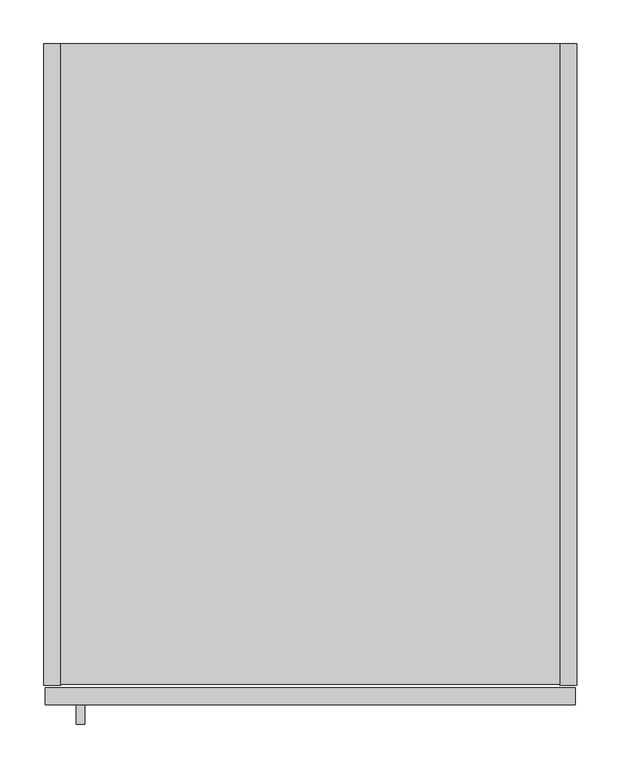
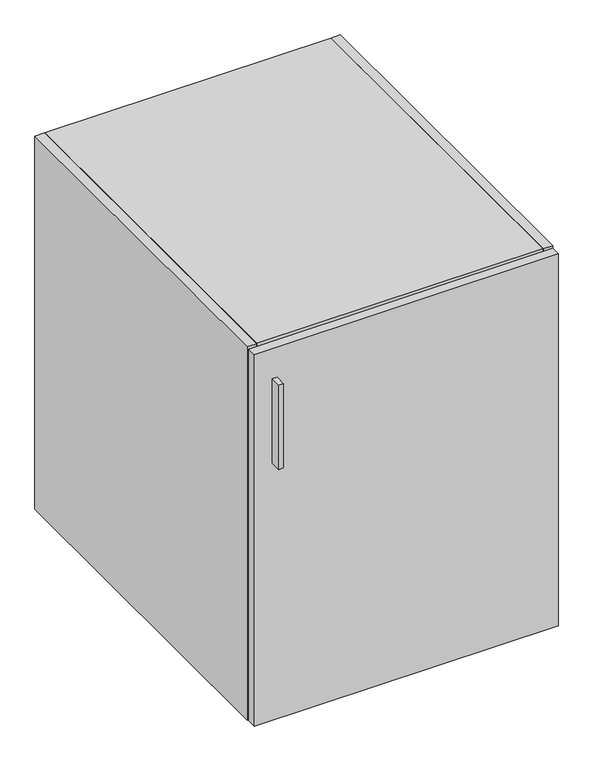
"""IFC4 building model written with IfcOpenShell, lengths in millimetres: furniture geometry."""

from ifc_helpers import new_model, si_unit, frame, origin, place, context, project, spatial, polyline, outline, extrude, source, transform, mapped, element, save


def furniture_f4ea50e8(model_context):
    return source(origin(), model_context, "Body", "SweptSolid", [
        extrude(outline(polyline([(46.6713631, -778.129), (37.1463631, -778.129), (37.1463631, -755.904), (46.6713631, -755.904), (46.6713631, -778.129)])), frame((0.0, 0.0, 644.525), z_axis=(0.0, 0.0, 1.0), x_axis=(1.0, 0.0, 0.0)), (0.0, 0.0, 1.0), 177.8),
        extrude(outline(polyline([(590.296, 0.0), (590.296, -19.304), (19.304, -19.304), (19.304, 0.0), (590.296, 0.0)])), frame((0.0, 0.0, 120.904), z_axis=(0.0, 0.0, 1.0), x_axis=(1.0, 0.0, 0.0)), (0.0, 0.0, 1.0), 748.792),
        extrude(outline(polyline([(590.296, -732.4344), (19.304, -732.4344), (19.304, 0.0), (590.296, 0.0), (590.296, -732.4344)])), frame((0.0, 0.0, 869.696), z_axis=(0.0, 0.0, 1.0), x_axis=(1.0, 0.0, 0.0)), (0.0, 0.0, 1.0), 19.304),
        extrude(outline(polyline([(19.304, 0.0), (19.304, -733.425), (0.0, -733.425), (0.0, 0.0), (19.304, 0.0)])), frame((0.0, 0.0, 101.6), z_axis=(0.0, 0.0, 1.0), x_axis=(1.0, 0.0, 0.0)), (0.0, 0.0, 1.0), 787.4),
        extrude(outline(polyline([(590.296, 0.0), (609.6, 0.0), (609.6, -733.425), (590.296, -733.425), (590.296, 0.0)])), frame((0.0, 0.0, 101.6), z_axis=(0.0, 0.0, 1.0), x_axis=(1.0, 0.0, 0.0)), (0.0, 0.0, 1.0), 787.4),
        extrude(outline(polyline([(590.296, 0.0), (590.296, -732.4344), (19.304, -732.4344), (19.304, 0.0), (590.296, 0.0)])), frame((0.0, 0.0, 101.6), z_axis=(0.0, 0.0, 1.0), x_axis=(1.0, 0.0, 0.0)), (0.0, 0.0, 1.0), 19.304),
        extrude(outline(polyline([(608.0125, -755.904), (1.5875, -755.904), (1.5875, -736.6), (608.0125, -736.6), (608.0125, -755.904)])), frame((0.0, 0.0, 101.6), z_axis=(0.0, 0.0, 1.0), x_axis=(1.0, 0.0, 0.0)), (0.0, 0.0, 1.0), 784.225),
    ])


if __name__ == "__main__":
    model = new_model("IFC4")
    model_context = context("Model", 3, world=origin())
    ifc_project = project(units=[si_unit("LENGTHUNIT", "METRE", prefix="MILLI")], contexts=[model_context])
    site = spatial("IfcSite", under=ifc_project)
    building = spatial("IfcBuilding", under=site)
    placement = place(None, origin())
    furniture_shape = furniture_f4ea50e8(model_context)
    element("IfcFurniture", 1, at=placement, inside=building, context=model_context, shape_type="MappedRepresentation", body=[
        mapped(furniture_shape, transform((0.0, 0.0, 0.0), x_axis=(1.0, 0.0, 0.0), y_axis=(0.0, 1.0, 0.0), z_axis=(0.0, 0.0, 1.0))),
    ])
    save(model, "model.ifc")
